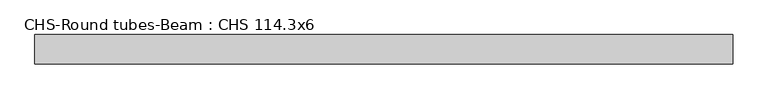
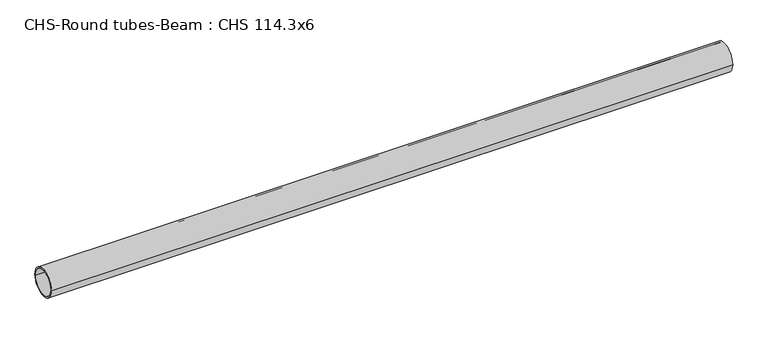
"""IFC4 building model written with IfcOpenShell, lengths in millimetres: beam geometry, CHS-Round tubes-Beam : CHS 114.3x6."""

from ifc_helpers import new_model, si_unit, point, frame, origin, origin_2d, place, context, project, spatial, circle_curve, trimmed, segment, composite_curve, outline, extrude, source, transform, mapped, element, save


def chs_round_tubes_beam_chs_114_3x6_8a8b6d4a(model_context):
    return source(origin(), model_context, "Body", "SweptSolid", [
        extrude(outline(composite_curve([segment(trimmed(circle_curve(origin_2d(), 57.15), [point((57.15, 0.0))], [point((-57.15, 0.0))], False, "CARTESIAN"), True, "CONTINUOUS"), segment(trimmed(circle_curve(origin_2d(), 57.15), [point((-57.15, 0.0))], [point((57.15, 0.0))], False, "CARTESIAN"), True, "CONTINUOUS")], self_intersect=False), holes=[composite_curve([segment(trimmed(circle_curve(origin_2d(), 51.15), [point((51.15, 0.0))], [point((-51.15, 0.0))], True, "CARTESIAN"), True, "CONTINUOUS"), segment(trimmed(circle_curve(origin_2d(), 51.15), [point((-51.15, 0.0))], [point((51.15, 0.0))], True, "CARTESIAN"), True, "CONTINUOUS")], self_intersect=False)]), frame((-1326.1224349, 0.0, 0.0), z_axis=(1.0, 0.0, 0.0), x_axis=(0.0, 1.0, 0.0)), (0.0, 0.0, 1.0), 2731.8770253),
    ])


if __name__ == "__main__":
    model = new_model("IFC4")
    model_context = context("Model", 3, world=origin())
    ifc_project = project(units=[si_unit("LENGTHUNIT", "METRE", prefix="MILLI")], contexts=[model_context])
    site = spatial("IfcSite", under=ifc_project)
    building = spatial("IfcBuilding", under=site)
    placement = place(None, origin())
    chs_round_tubes_beam_chs_114_3x6_shape = chs_round_tubes_beam_chs_114_3x6_8a8b6d4a(model_context)
    element("IfcBeam", 1, ObjectType="CHS-Round tubes-Beam : CHS 114.3x6", at=placement, inside=building, context=model_context, shape_type="MappedRepresentation", body=[
        mapped(chs_round_tubes_beam_chs_114_3x6_shape, transform((0.0, 0.0, 0.0), x_axis=(1.0, 0.0, 0.0), y_axis=(0.0, 1.0, 0.0), z_axis=(0.0, 0.0, 1.0))),
    ])
    save(model, "model.ifc")
